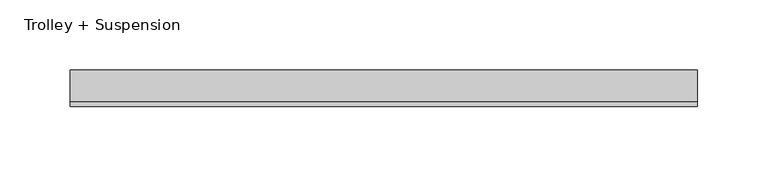
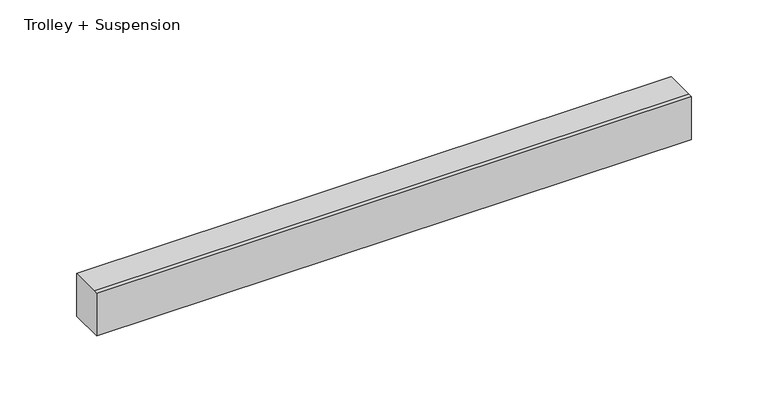
"""IFC4 building model written with IfcOpenShell, lengths in millimetres: proxy geometry, Trolley + Suspension."""

from ifc_helpers import new_model, si_unit, frame, origin, place, context, project, spatial, polyline, outline, extrude, source, transform, mapped, element, save


def trolley_suspension_74156fe0(model_context):
    return source(origin(), model_context, "Body", "SweptSolid", [
        extrude(outline(polyline([(13.0, 34.0), (13.0, 0.0), (-13.0, 0.0), (-13.0, 34.0), (-9.692747, 34.0), (13.0, 34.0)])), frame((-223.0, 0.0, 0.0), z_axis=(1.0, 0.0, 0.0), x_axis=(0.0, 1.0, 0.0)), (0.0, 0.0, 1.0), 446.0),
    ])


if __name__ == "__main__":
    model = new_model("IFC4")
    model_context = context("Model", 3, world=origin())
    ifc_project = project(units=[si_unit("LENGTHUNIT", "METRE", prefix="MILLI")], contexts=[model_context])
    site = spatial("IfcSite", under=ifc_project)
    building = spatial("IfcBuilding", under=site)
    placement = place(None, origin())
    trolley_suspension_shape = trolley_suspension_74156fe0(model_context)
    element("IfcBuildingElementProxy", 1, Name="Trolley + Suspension", ObjectType="Trolley + Suspension", at=placement, inside=building, context=model_context, shape_type="MappedRepresentation", body=[
        mapped(trolley_suspension_shape, transform((0.0, 0.0, 0.0), x_axis=(1.0, 0.0, 0.0), y_axis=(0.0, 1.0, 0.0), z_axis=(0.0, 0.0, 1.0))),
    ])
    save(model, "model.ifc")
